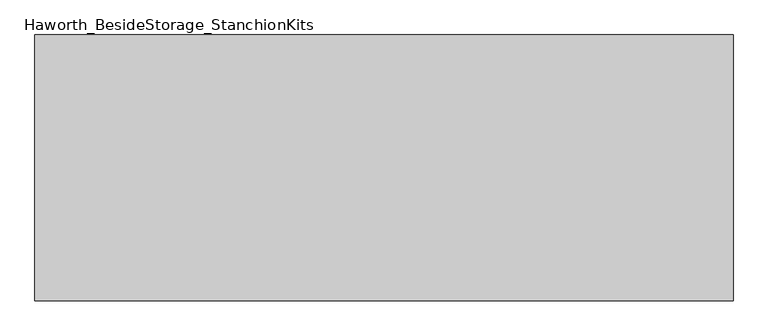
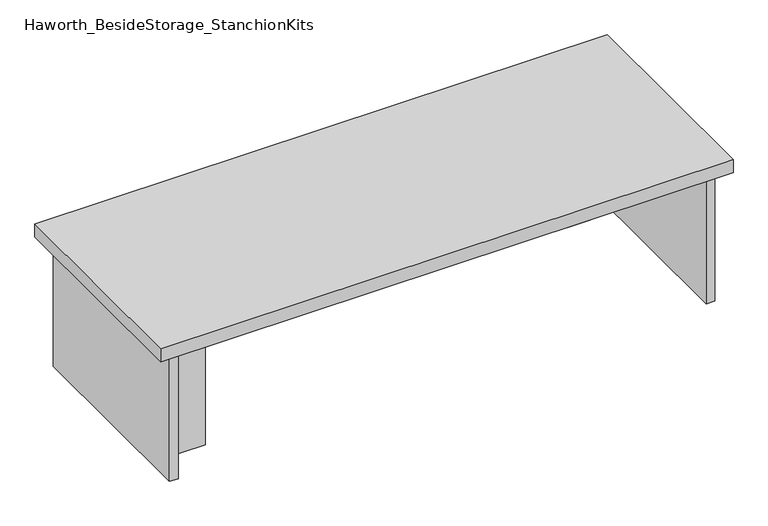
"""IFC4 building model written with IfcOpenShell, lengths in millimetres: furniture geometry, Haworth_BesideStorage_StanchionKits."""

from ifc_helpers import new_model, si_unit, frame, origin, place, context, project, spatial, polyline, outline, extrude, source, transform, mapped, element, save


def haworth_besidestorage_stanchionkits_96b16c80(model_context):
    return source(origin(), model_context, "Body", "SweptSolid", [
        extrude(outline(polyline([(695.325, 0.0), (695.325, -406.4), (-371.475, -406.4), (-371.475, 0.0), (695.325, 0.0)])), frame((0.0, 0.0, 685.8), z_axis=(0.0, 0.0, 1.0), x_axis=(1.0, 0.0, 0.0)), (0.0, 0.0, 1.0), 25.4),
        extrude(outline(polyline([(568.325, -76.2), (654.05, -76.2), (654.05, -92.075), (568.325, -92.075), (568.325, -76.2)])), frame((0.0, 0.0, 431.8), z_axis=(0.0, 0.0, 1.0), x_axis=(1.0, 0.0, 0.0)), (0.0, 0.0, 1.0), 254.0),
        extrude(outline(polyline([(-244.475, -314.325), (-244.475, -330.2), (-330.2, -330.2), (-330.2, -314.325), (-244.475, -314.325)])), frame((0.0, 0.0, 431.8), z_axis=(0.0, 0.0, 1.0), x_axis=(1.0, 0.0, 0.0)), (0.0, 0.0, 1.0), 254.0),
        extrude(outline(polyline([(669.925, -390.525), (654.05, -390.525), (654.05, -15.875), (669.925, -15.875), (669.925, -390.525)])), frame((0.0, 0.0, 431.8), z_axis=(0.0, 0.0, 1.0), x_axis=(1.0, 0.0, 0.0)), (0.0, 0.0, 1.0), 254.0),
        extrude(outline(polyline([(-330.2, -390.525), (-346.075, -390.525), (-346.075, -15.875), (-330.2, -15.875), (-330.2, -390.525)])), frame((0.0, 0.0, 431.8), z_axis=(0.0, 0.0, 1.0), x_axis=(1.0, 0.0, 0.0)), (0.0, 0.0, 1.0), 254.0),
    ])


if __name__ == "__main__":
    model = new_model("IFC4")
    model_context = context("Model", 3, world=origin())
    ifc_project = project(units=[si_unit("LENGTHUNIT", "METRE", prefix="MILLI")], contexts=[model_context])
    site = spatial("IfcSite", under=ifc_project)
    building = spatial("IfcBuilding", under=site)
    placement = place(None, origin())
    haworth_besidestorage_stanchionkits_shape = haworth_besidestorage_stanchionkits_96b16c80(model_context)
    element("IfcFurniture", 1, ObjectType="Haworth_BesideStorage_StanchionKits", at=placement, inside=building, context=model_context, shape_type="MappedRepresentation", body=[
        mapped(haworth_besidestorage_stanchionkits_shape, transform((0.0, 0.0, 0.0), x_axis=(1.0, 0.0, 0.0), y_axis=(0.0, 1.0, 0.0), z_axis=(0.0, 0.0, 1.0))),
    ])
    save(model, "model.ifc")
